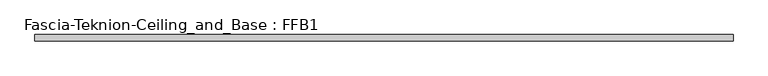
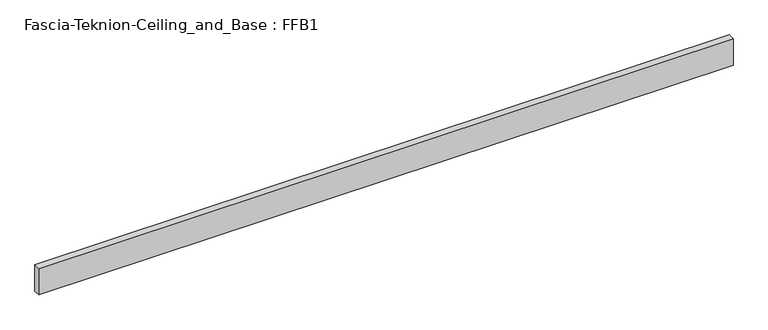
"""IFC4 building model written with IfcOpenShell, lengths in millimetres: proxy geometry, Fascia-Teknion-Ceiling_and_Base : FFB1."""

from ifc_helpers import new_model, si_unit, origin, origin_with_axes, place, context, project, spatial, polyline, outline, extrude, source, transform, mapped, element, save


def fascia_teknion_ceiling_and_base_ffb1_57c76872(model_context):
    return source(origin(), model_context, "Body", "SweptSolid", [
        extrude(outline(polyline([(1012.8305563, 0.0), (-1012.8305562, 0.0), (-1012.8305562, 19.05), (1012.8305563, 19.05), (1012.8305563, 0.0)])), origin_with_axes(), (0.0, 0.0, 1.0), 81.28),
    ])


if __name__ == "__main__":
    model = new_model("IFC4")
    model_context = context("Model", 3, world=origin())
    ifc_project = project(units=[si_unit("LENGTHUNIT", "METRE", prefix="MILLI")], contexts=[model_context])
    site = spatial("IfcSite", under=ifc_project)
    building = spatial("IfcBuilding", under=site)
    placement = place(None, origin())
    fascia_teknion_ceiling_and_base_ffb1_shape = fascia_teknion_ceiling_and_base_ffb1_57c76872(model_context)
    element("IfcBuildingElementProxy", 1, Name="Fascia-Teknion-Ceiling_and_Base : FFB1", ObjectType="Fascia-Teknion-Ceiling_and_Base : FFB1", at=placement, inside=building, context=model_context, shape_type="MappedRepresentation", body=[
        mapped(fascia_teknion_ceiling_and_base_ffb1_shape, transform((0.0, 0.0, 0.0), x_axis=(1.0, 0.0, 0.0), y_axis=(0.0, 1.0, 0.0), z_axis=(0.0, 0.0, 1.0))),
    ])
    save(model, "model.ifc")
